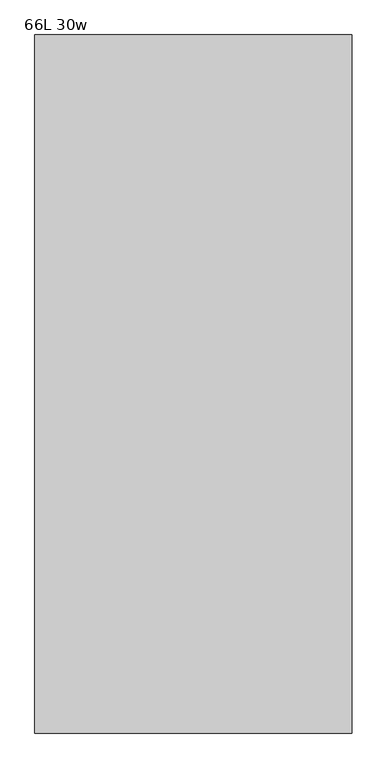
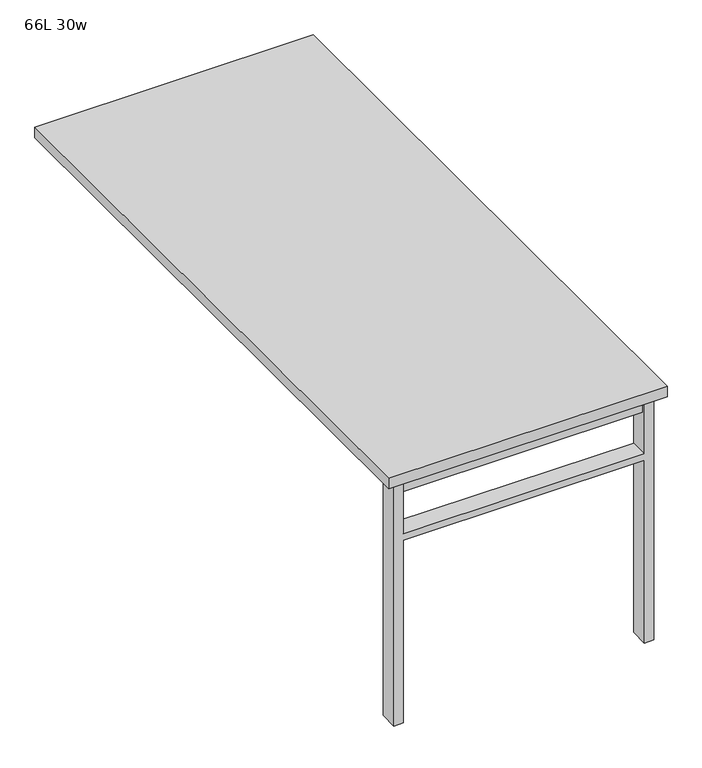
"""IFC4 building model written with IfcOpenShell, lengths in millimetres: furniture geometry, 66L 30w."""

from ifc_helpers import new_model, si_unit, frame, origin, place, context, project, spatial, polyline, outline, extrude, source, transform, mapped, element, save


def furniture_66l_30w_afd0f819(model_context):
    return source(origin(), model_context, "Body", "SweptSolid", [
        extrude(outline(polyline([(-330.2, -777.875), (330.2, -777.875), (330.2, -809.625), (-330.2, -809.625), (-330.2, -777.875)])), frame((0.0, 0.0, 661.9875), z_axis=(0.0, 0.0, 1.0), x_axis=(1.0, 0.0, 0.0)), (0.0, 0.0, 1.0), 44.45),
        extrude(outline(polyline([(528.6375, 330.2), (0.0, 330.2), (0.0, 355.6), (706.4375, 355.6), (706.4375, 330.2), (547.6875, 330.2), (547.6875, -330.2), (706.4375, -330.2), (706.4375, -355.6), (0.0, -355.6), (0.0, -330.2), (528.6375, -330.2), (528.6375, 330.2)])), frame((0.0, -819.15, 0.0), z_axis=(0.0, 1.0, 0.0), x_axis=(0.0, 0.0, 1.0)), (0.0, 0.0, 1.0), 50.8),
        extrude(outline(polyline([(-381.0, -838.2), (-381.0, 838.2), (381.0, 838.2), (381.0, -838.2), (-381.0, -838.2)])), frame((0.0, 0.0, 706.4375), z_axis=(0.0, 0.0, 1.0), x_axis=(1.0, 0.0, 0.0)), (0.0, 0.0, 1.0), 30.1625),
    ])


if __name__ == "__main__":
    model = new_model("IFC4")
    model_context = context("Model", 3, world=origin())
    ifc_project = project(units=[si_unit("LENGTHUNIT", "METRE", prefix="MILLI")], contexts=[model_context])
    site = spatial("IfcSite", under=ifc_project)
    building = spatial("IfcBuilding", under=site)
    placement = place(None, origin())
    furniture_66l_30w_shape = furniture_66l_30w_afd0f819(model_context)
    element("IfcFurniture", 1, ObjectType="66L 30w", at=placement, inside=building, context=model_context, shape_type="MappedRepresentation", body=[
        mapped(furniture_66l_30w_shape, transform((0.0, 0.0, 0.0), x_axis=(1.0, 0.0, 0.0), y_axis=(0.0, 1.0, 0.0), z_axis=(0.0, 0.0, 1.0))),
    ])
    save(model, "model.ifc")
